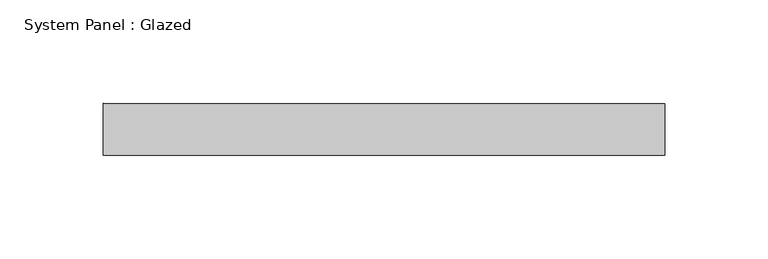
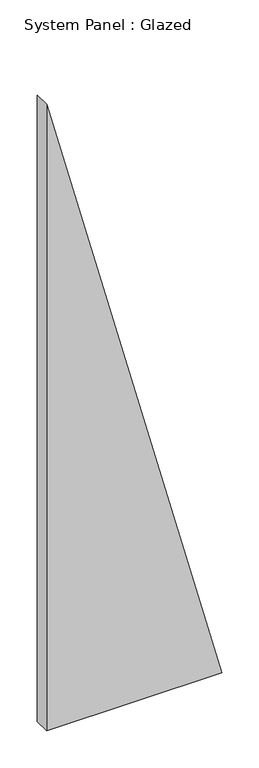
"""IFC4 building model written with IfcOpenShell, lengths in millimetres: plate geometry, System Panel : Glazed."""

from ifc_helpers import new_model, si_unit, frame, origin, place, context, project, spatial, polyline, outline, extrude, source, transform, mapped, element, save


def system_panel_glazed_a1f136b3(model_context):
    return source(origin(), model_context, "Body", "SweptSolid", [
        extrude(outline(polyline([(0.0, -135.7142856), (0.0, 135.7142856), (1027.0270259, -135.7142856), (0.0, -135.7142856)])), frame((0.0, 24.5, 0.0), z_axis=(0.0, 1.0, 0.0), x_axis=(0.0, 0.0, 1.0)), (0.0, 0.0, 1.0), 25.0),
    ])


if __name__ == "__main__":
    model = new_model("IFC4")
    model_context = context("Model", 3, world=origin())
    ifc_project = project(units=[si_unit("LENGTHUNIT", "METRE", prefix="MILLI")], contexts=[model_context])
    site = spatial("IfcSite", under=ifc_project)
    building = spatial("IfcBuilding", under=site)
    placement = place(None, origin())
    system_panel_glazed_shape = system_panel_glazed_a1f136b3(model_context)
    element("IfcPlate", 1, ObjectType="System Panel : Glazed", at=placement, inside=building, context=model_context, shape_type="MappedRepresentation", body=[
        mapped(system_panel_glazed_shape, transform((0.0, 0.0, 0.0), x_axis=(1.0, 0.0, 0.0), y_axis=(0.0, 1.0, 0.0), z_axis=(0.0, 0.0, 1.0))),
    ])
    save(model, "model.ifc")
